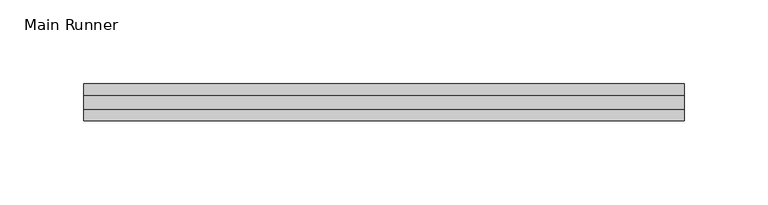
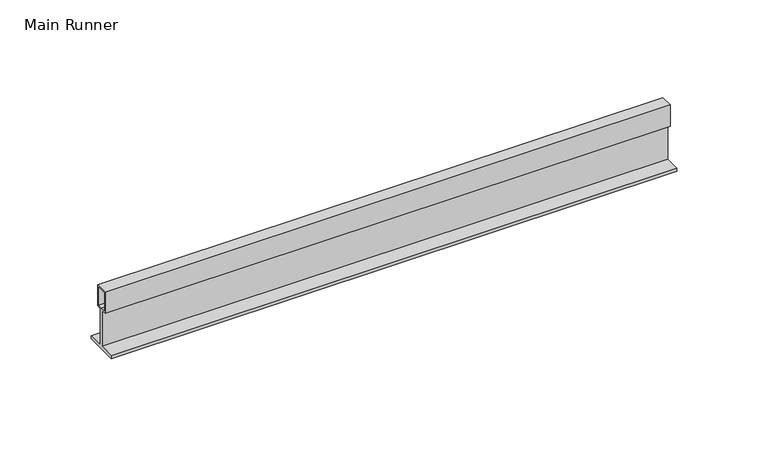
"""IFC4 building model written with IfcOpenShell, lengths in millimetres: beam geometry, Main Runner."""

from ifc_helpers import new_model, si_unit, frame, origin, place, context, project, spatial, polyline, outline, extrude, source, transform, mapped, element, save


def main_runner_d4c04c3f(model_context):
    return source(origin(), model_context, "Body", "SweptSolid", [
        extrude(outline(polyline([(11.0, -2.0), (0.0, -2.0), (-11.0, -2.0), (-11.0, 0.0), (-1.0, 0.0), (-1.0, 24.0), (-4.0, 24.0), (-4.0, 38.1243468), (4.0, 38.1243468), (4.0, 24.0), (1.0, 24.0), (1.0, 0.0), (11.0, 0.0), (11.0, -2.0)]), holes=[polyline([(3.0, 37.1243468), (-3.0169966, 37.1243468), (-3.0169966, 25.0), (0.0, 25.0), (3.0, 25.0), (3.0, 37.1243468)])]), frame((-630.9999994, 0.0, 0.0), z_axis=(1.0, 0.0, 0.0), x_axis=(0.0, 1.0, 0.0)), (0.0, 0.0, 1.0), 357.3631772),
    ])


if __name__ == "__main__":
    model = new_model("IFC4")
    model_context = context("Model", 3, world=origin())
    ifc_project = project(units=[si_unit("LENGTHUNIT", "METRE", prefix="MILLI")], contexts=[model_context])
    site = spatial("IfcSite", under=ifc_project)
    building = spatial("IfcBuilding", under=site)
    placement = place(None, origin())
    main_runner_shape = main_runner_d4c04c3f(model_context)
    element("IfcBeam", 1, ObjectType="Main Runner", at=placement, inside=building, context=model_context, shape_type="MappedRepresentation", body=[
        mapped(main_runner_shape, transform((0.0, 0.0, 0.0), x_axis=(1.0, 0.0, 0.0), y_axis=(0.0, 1.0, 0.0), z_axis=(0.0, 0.0, 1.0))),
    ])
    save(model, "model.ifc")
